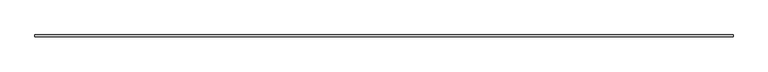
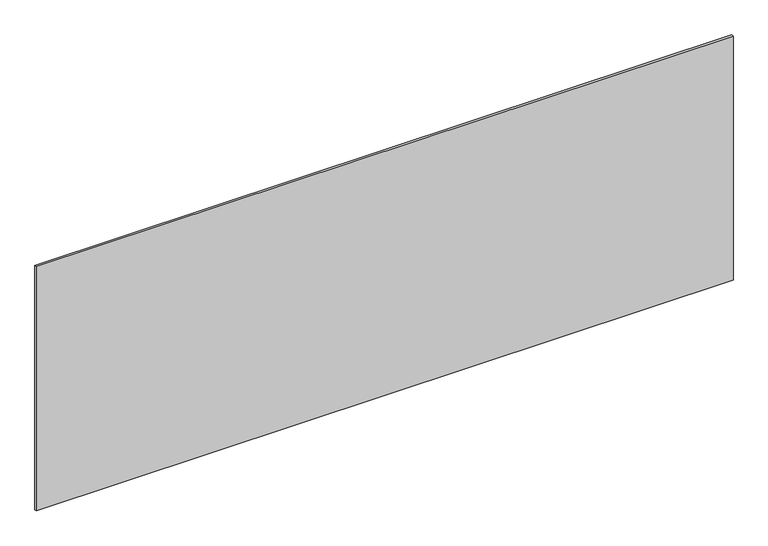
"""IFC4 building model written with IfcOpenShell, lengths in millimetres: plate geometry."""

from ifc_helpers import new_model, si_unit, origin, origin_with_axes, place, context, project, spatial, polyline, outline, extrude, source, transform, mapped, element, save


def plate_9ea5d261(model_context):
    return source(origin(), model_context, "Body", "SweptSolid", [
        extrude(outline(polyline([(1715.0, -5.0), (-1715.0, -5.0), (-1715.0, 5.0), (1715.0, 5.0), (1715.0, -5.0)])), origin_with_axes(), (0.0, 0.0, 1.0), 1271.3360336),
    ])


if __name__ == "__main__":
    model = new_model("IFC4")
    model_context = context("Model", 3, world=origin())
    ifc_project = project(units=[si_unit("LENGTHUNIT", "METRE", prefix="MILLI")], contexts=[model_context])
    site = spatial("IfcSite", under=ifc_project)
    building = spatial("IfcBuilding", under=site)
    placement = place(None, origin())
    plate_shape = plate_9ea5d261(model_context)
    element("IfcPlate", 1, at=placement, inside=building, context=model_context, shape_type="MappedRepresentation", body=[
        mapped(plate_shape, transform((0.0, 0.0, 0.0), x_axis=(1.0, 0.0, 0.0), y_axis=(0.0, 1.0, 0.0), z_axis=(0.0, 0.0, 1.0))),
    ])
    save(model, "model.ifc")
